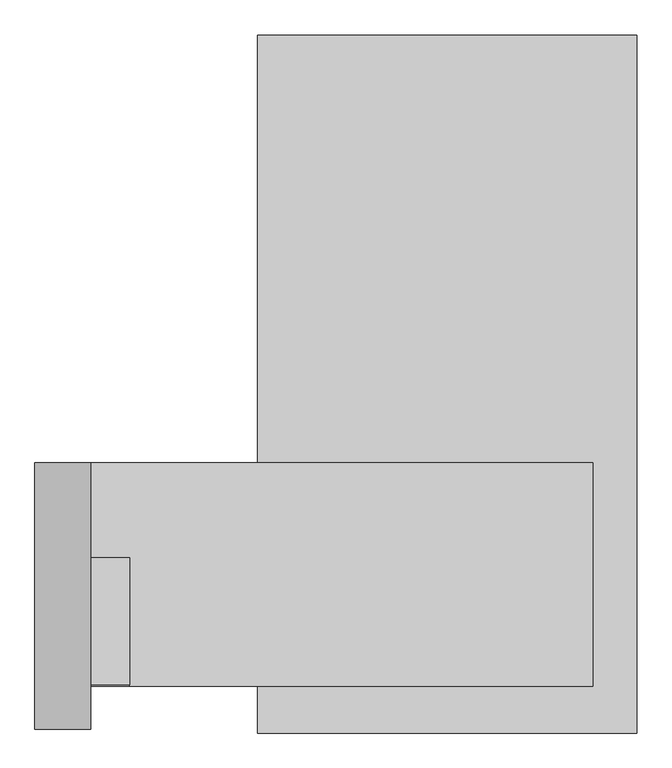
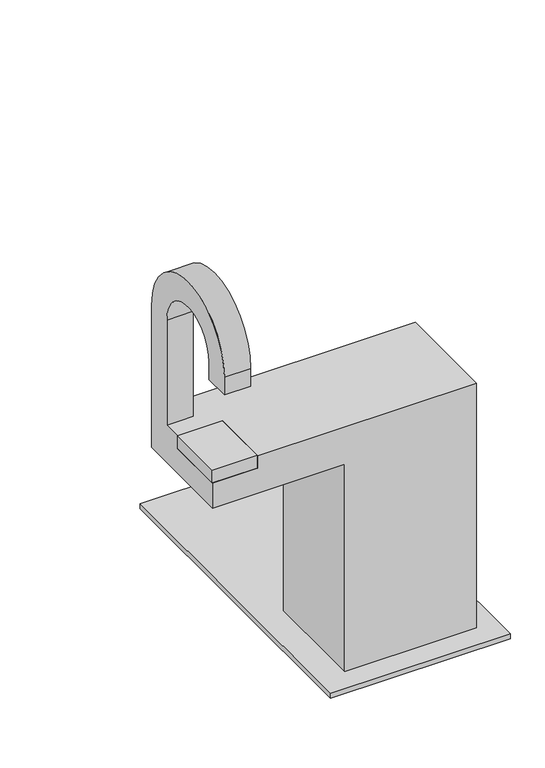
"""IFC4 building model written with IfcOpenShell, lengths in millimetres: proxy geometry."""

import ifcopenshell
import ifcopenshell.guid

model = None  # the IFC model being written
_history = None  # IfcOwnerHistory: only IFC2X3 demands one
_inside = {}  # id of a spatial element -> (the spatial element, [elements in it])
_under = {}  # id of a project, library or spatial element -> (it, [spatial elements below it])
_declared = {}  # id of a project -> (the project, [libraries it declares])
_typed = {}  # id of a type object -> (the type object, [elements of that type])
_made_of = {}  # id of a material, layer set ... -> (it, [elements and type objects made of it])


def new_model(schema):
    """Start an empty IFC model of exactly this schema.

    Asked for "IFC4X3", IfcOpenShell would pick the latest addendum, in which some entities
    have other attributes; the version numbers below select the first issue.
    IFC2X3 requires an IfcOwnerHistory on every rooted entity: one is made here for all.
    """
    global model, _history
    if schema == "IFC4X3":
        model = ifcopenshell.file(schema_version=(4, 3, 0, 0))
    else:
        model = ifcopenshell.file(schema=schema)
    _inside.clear()
    _under.clear()
    _declared.clear()
    _typed.clear()
    _made_of.clear()
    _history = None
    if model.schema == "IFC2X3":
        org = make("IfcOrganization", Name="unknown")
        user = make(
            "IfcPersonAndOrganization",
            ThePerson=make("IfcPerson", FamilyName="unknown"),
            TheOrganization=org,
        )
        app = make(
            "IfcApplication",
            ApplicationDeveloper=org,
            Version="unknown",
            ApplicationFullName="unknown",
            ApplicationIdentifier="unknown",
        )
        _history = make(
            "IfcOwnerHistory",
            OwningUser=user,
            OwningApplication=app,
            ChangeAction="ADDED",
            CreationDate=0,
        )
    return model


def make(cls, **values):
    """One entity of the class cls with the attributes given. An attribute that is None is left unset."""
    return model.create_entity(
        cls, **{name: value for name, value in values.items() if value is not None}
    )


def rooted(cls, **values):
    """An entity with a GlobalId (a new one), such as an element, a storey or a relation."""
    return make(cls, GlobalId=ifcopenshell.guid.new(), OwnerHistory=_history, **values)


def si_unit(unit_type, name, prefix=None):
    """IfcSIUnit, for example si_unit("LENGTHUNIT", "METRE", prefix="MILLI")."""
    return make("IfcSIUnit", UnitType=unit_type, Prefix=prefix, Name=name)


def assignment(units):
    """IfcUnitAssignment: the units of a project."""
    return None if units is None else make("IfcUnitAssignment", Units=units)


def point(xyz):
    """IfcCartesianPoint."""
    return None if xyz is None else make("IfcCartesianPoint", Coordinates=xyz)


def direction(xyz):
    """IfcDirection."""
    return None if xyz is None else make("IfcDirection", DirectionRatios=xyz)


def frame(location, z_axis=None, x_axis=None):
    """IfcAxis2Placement3D, a coordinate frame: its origin and axes. An axis left out is left unset."""
    return make(
        "IfcAxis2Placement3D",
        Location=point(location),
        Axis=direction(z_axis),
        RefDirection=direction(x_axis),
    )


def origin():
    """The frame at (0, 0, 0) with its axes left unset."""
    return frame((0.0, 0.0, 0.0))


def origin_with_axes():
    """The frame at (0, 0, 0) with the z axis (0, 0, 1) and the x axis (1, 0, 0) written out."""
    return frame((0.0, 0.0, 0.0), z_axis=(0.0, 0.0, 1.0), x_axis=(1.0, 0.0, 0.0))


def place(relative_to, where):
    """IfcLocalPlacement: puts the frame where relative to a parent placement (None: the world)."""
    return make(
        "IfcLocalPlacement", PlacementRelTo=relative_to, RelativePlacement=where
    )


def context(
    kind, dimensions, precision=None, world=None, true_north=None, identifier=None
):
    """IfcGeometricRepresentationContext, for example the 3D "Model" context."""
    return make(
        "IfcGeometricRepresentationContext",
        ContextIdentifier=identifier,
        ContextType=kind,
        CoordinateSpaceDimension=dimensions,
        Precision=precision,
        WorldCoordinateSystem=world,
        TrueNorth=true_north,
    )


def project(units=None, contexts=None):
    """IfcProject with its units and contexts."""
    return rooted(
        "IfcProject",
        Name="project",
        RepresentationContexts=contexts,
        UnitsInContext=assignment(units),
    )


def spatial(cls, under=None, at=None, **own):
    """A site, building, storey or space (cls), placed at a placement, below another one or the project."""
    s = rooted(cls, ObjectPlacement=at, **own)
    if under is not None:
        _under.setdefault(under.id(), (under, []))[1].append(s)
    return s


def polyline(points):
    """IfcPolyline through the points."""
    return make("IfcPolyline", Points=[point(p) for p in points])


def circle_curve(where, radius):
    """IfcCircle in the frame where."""
    return make("IfcCircle", Position=where, Radius=radius)


def outline(outer, holes=None, kind="AREA"):
    """IfcArbitraryClosedProfileDef: a profile drawn as a closed curve; with holes, ...WithVoids."""
    if holes is None:
        return make("IfcArbitraryClosedProfileDef", ProfileType=kind, OuterCurve=outer)
    return make(
        "IfcArbitraryProfileDefWithVoids",
        ProfileType=kind,
        OuterCurve=outer,
        InnerCurves=holes,
    )


def extrude(swept, where, along, depth):
    """IfcExtrudedAreaSolid: the profile swept, set in the frame where, extruded along a direction by depth."""
    return make(
        "IfcExtrudedAreaSolid",
        SweptArea=swept,
        Position=where,
        ExtrudedDirection=direction(along),
        Depth=depth,
    )


def shape(context_of_items, identifier, shape_type, items):
    """IfcShapeRepresentation: the items that make up one representation, for example the "Body"."""
    return make(
        "IfcShapeRepresentation",
        ContextOfItems=context_of_items,
        RepresentationIdentifier=identifier,
        RepresentationType=shape_type,
        Items=items,
    )


def source(mapping_origin, context_of_items, identifier, shape_type, items):
    """IfcRepresentationMap: a shape defined once, which mapped items show again and again."""
    return make(
        "IfcRepresentationMap",
        MappingOrigin=mapping_origin,
        MappedRepresentation=shape(context_of_items, identifier, shape_type, items),
    )


def transform(
    local_origin,
    x_axis=None,
    y_axis=None,
    z_axis=None,
    scale=None,
    scale2=None,
    scale3=None,
    uniform=True,
):
    """IfcCartesianTransformationOperator3D, or its non-uniform kind. x_axis, y_axis, z_axis: its Axis1, 2, 3."""
    if uniform:
        return make(
            "IfcCartesianTransformationOperator3D",
            Axis1=direction(x_axis),
            Axis2=direction(y_axis),
            LocalOrigin=point(local_origin),
            Scale=scale,
            Axis3=direction(z_axis),
        )
    return make(
        "IfcCartesianTransformationOperator3DnonUniform",
        Axis1=direction(x_axis),
        Axis2=direction(y_axis),
        LocalOrigin=point(local_origin),
        Scale=scale,
        Axis3=direction(z_axis),
        Scale2=scale2,
        Scale3=scale3,
    )


def mapped(mapping_source, mapping_target):
    """IfcMappedItem: shows the shape of a source again, moved by a transform."""
    return make(
        "IfcMappedItem", MappingSource=mapping_source, MappingTarget=mapping_target
    )


def made_of(thing, what):
    """Note that an element or type object is made of a material, layer set ...; save() writes the relation."""
    if what is not None:
        _made_of.setdefault(what.id(), (what, []))[1].append(thing)
    return thing


def element(
    cls,
    number,
    at=None,
    inside=None,
    cuts=None,
    type_object=None,
    material=None,
    context=None,
    identifier="Body",
    shape_type=None,
    held_by="IfcProductDefinitionShape",
    body=None,
    shapes=None,
    **own,
):
    """One element of the class cls, such as IfcWall. Its Tag is "e" and its number.

    at: its placement. inside: the storey or other place that contains it. cuts: it is an
    opening in that element (IfcRelVoidsElement). A single representation is given by context,
    identifier, shape_type and body (its items); several are given by shapes. held_by: the class
    of the entity that holds the representations. save() writes the other relations.
    """
    e = rooted(cls, Tag="e%d" % number, ObjectPlacement=at, **own)
    if body is not None:
        shapes = [shape(context, identifier, shape_type, body)]
    if shapes is not None:
        e.Representation = make(held_by, Representations=shapes)
    if inside is not None:
        _inside.setdefault(inside.id(), (inside, []))[1].append(e)
    if cuts is not None:
        rooted(
            "IfcRelVoidsElement", RelatingBuildingElement=cuts, RelatedOpeningElement=e
        )
    if type_object is not None:
        _typed.setdefault(type_object.id(), (type_object, []))[1].append(e)
    return made_of(e, material)


def aggregate(whole, parts):
    """IfcRelAggregates: a whole, such as a stair, and the parts it consists of."""
    return rooted("IfcRelAggregates", RelatingObject=whole, RelatedObjects=parts)


def save(model, path):
    """Write the relations noted so far, then the file.

    IfcRelAggregates (storeys below a building ...), IfcRelContainedInSpatialStructure (elements
    in a storey), IfcRelDefinesByType, IfcRelAssociatesMaterial and IfcRelDeclares: one each for
    every whole, place, type object, material and project.
    """
    for whole, parts in _under.values():
        aggregate(whole, parts)
    for where, things in _inside.values():
        rooted(
            "IfcRelContainedInSpatialStructure",
            RelatedElements=things,
            RelatingStructure=where,
        )
    for kind, things in _typed.values():
        rooted("IfcRelDefinesByType", RelatedObjects=things, RelatingType=kind)
    for what, things in _made_of.values():
        rooted("IfcRelAssociatesMaterial", RelatedObjects=things, RelatingMaterial=what)
    for by, libraries in _declared.values():
        rooted("IfcRelDeclares", RelatingContext=by, RelatedDefinitions=libraries)
    model.write(path)


def plane_surface(at):
    """IfcPlane: the flat surface through the origin of the frame at, square to its z axis."""
    return make("IfcPlane", Position=at)


def cylinder_surface(at, radius):
    """IfcCylindricalSurface: all points at the distance radius from the z axis of the frame at."""
    return make("IfcCylindricalSurface", Position=at, Radius=radius)


def revolved_surface(curve, axis_point, axis_direction):
    """IfcSurfaceOfRevolution: the curve turned about the line through axis_point along axis_direction."""
    return make(
        "IfcSurfaceOfRevolution",
        SweptCurve=make("IfcArbitraryOpenProfileDef", ProfileType="CURVE", Curve=curve),
        AxisPosition=make("IfcAxis1Placement", Location=point(axis_point), Axis=direction(axis_direction)),
    )


def advanced_brep(points, edges, surfaces, faces):
    """IfcAdvancedBrep: a solid bounded by faces that lie on surfaces and meet in shared edges.

    An edge is (start, end): straight between two places in points (the first is 0);
    or (start, end, curve); or (start, end, curve, False) where it runs against its curve.
    A face is (place in surfaces, loops), or (place, loops, False) where it looks against
    its surface's normal. A loop lists edges by number (the first is 1), with a minus sign
    where the edge is run from its end to its start. The first loop is the outer one.
    """
    corners = [point(p) for p in points]
    vertices = [make("IfcVertexPoint", VertexGeometry=c) for c in corners]
    made = []
    for start, end, *more in edges:
        made.append(
            make(
                "IfcEdgeCurve",
                EdgeStart=vertices[start],
                EdgeEnd=vertices[end],
                EdgeGeometry=more[0] if more else make("IfcPolyline", Points=[corners[start], corners[end]]),
                SameSense=more[1] if len(more) > 1 else True,
            )
        )
    hull = []
    for where, loops, *sense in faces:
        bounds = []
        for j, loop in enumerate(loops):
            ring = [make("IfcOrientedEdge", EdgeElement=made[abs(k) - 1], Orientation=k > 0) for k in loop]
            bounds.append(
                make(
                    "IfcFaceOuterBound" if j == 0 else "IfcFaceBound",
                    Bound=make("IfcEdgeLoop", EdgeList=ring),
                    Orientation=True,
                )
            )
        hull.append(make("IfcAdvancedFace", Bounds=bounds, FaceSurface=surfaces[where], SameSense=sense[0] if sense else True))
    return make("IfcAdvancedBrep", Outer=make("IfcClosedShell", CfsFaces=hull))


def generic_models_477dcc4d(model_context):
    return source(origin(), model_context, "Body", "SolidModel", [
        extrude(outline(polyline([(340.0, -6.3351667), (-340.0, -6.3351667), (-340.0, 1243.6648333), (340.0, 1243.6648333), (340.0, -6.3351667)])), origin_with_axes(), (0.0, 0.0, 1.0), 20.0),
        extrude(outline(polyline([(-568.7784149, 307.3296666), (-568.7784149, 80.2455471), (-738.7784149, 80.2455471), (-738.7784149, 307.3296666), (-568.7784149, 307.3296666)])), frame((0.0, 0.0, 948.786045), z_axis=(0.0, 0.0, 1.0), x_axis=(1.0, 0.0, 0.0)), (0.0, 0.0, 1.0), 51.213955),
        advanced_brep(
        [(261.2215851, 77.3296666, 20.0), (-238.7784149, 77.3296666, 20.0), (-238.7784149, 477.3296666, 20.0), (261.2215851, 477.3296666, 20.0), (-238.7784149, 77.3296666, 850.0), (-238.7784149, 477.3296666, 850.0), (-738.7784149, 377.3296666, 1000.0), (-738.7784149, 377.3296666, 1420.0), (-738.7784149, 100.0, 1420.0), (-738.7784149, 100.0, 1350.0), (-738.7784149, 0.0, 1350.0), (-738.7784149, 0.0, 1420.0), (-738.7784149, 477.3296666, 1420.0), (-738.7784149, 477.3296666, 850.0), (-738.7784149, 77.3296666, 850.0), (-738.7784149, 77.3296666, 948.786045), (-738.7784149, 307.3296666, 948.786045), (-738.7784149, 307.3296666, 1000.0), (-638.7784149, 477.3296666, 1420.0), (-638.7784149, 0.0, 1420.0), (-638.7784149, 0.0, 1350.0), (-638.7784149, 100.0, 1350.0), (-638.7784149, 100.0, 1420.0), (-638.7784149, 377.3296666, 1420.0), (-638.7784149, 377.3296666, 1000.0), (-638.7784149, 477.3296666, 1000.0), (261.2215851, 477.3296666, 1000.0), (261.2215851, 77.3296666, 1000.0), (-568.7784149, 307.3296666, 1000.0), (-568.7784149, 77.3296666, 1000.0), (-568.7784149, 77.3296666, 948.786045), (-568.7784149, 307.3296666, 948.786045)],
        [
            (0, 1),
            (1, 2),
            (2, 3),
            (3, 0),
            (1, 4),
            (4, 5),
            (5, 2),
            (6, 7),
            (7, 8, circle_curve(frame((-738.7784149, 238.6648333, 1420.0), z_axis=(1.0, 0.0, 0.0), x_axis=(0.0, 1.0, 0.0)), 138.6648333)),
            (8, 9),
            (9, 10),
            (10, 11),
            (11, 12, circle_curve(frame((-738.7784149, 238.6648333, 1420.0), z_axis=(-1.0, 0.0, 0.0), x_axis=(0.0, 1.0, 0.0)), 238.6648333)),
            (12, 13),
            (13, 14),
            (14, 15),
            (15, 16),
            (16, 17),
            (17, 6),
            (18, 19, circle_curve(frame((-638.7784149, 238.6648333, 1420.0), z_axis=(1.0, 0.0, 0.0), x_axis=(0.0, 1.0, 0.0)), 238.6648333)),
            (19, 20),
            (20, 21),
            (21, 22),
            (22, 23, circle_curve(frame((-638.7784149, 238.6648333, 1420.0), z_axis=(-1.0, 0.0, 0.0), x_axis=(0.0, 1.0, 0.0)), 138.6648333)),
            (23, 24),
            (24, 25),
            (25, 18),
            (25, 26),
            (26, 3),
            (5, 13),
            (12, 18),
            (6, 24),
            (23, 7),
            (22, 8),
            (21, 9),
            (20, 10),
            (19, 11),
            (27, 26),
            (17, 28),
            (28, 29),
            (29, 27),
            (4, 14),
            (0, 27),
            (29, 30),
            (30, 15),
            (30, 31),
            (31, 16),
            (31, 28),
        ],
        [
            plane_surface(frame((261.2215851, 77.3296666, 20.0), z_axis=(0.0, 0.0, -1.0), x_axis=(0.0, -1.0, 0.0))),
            plane_surface(frame((-238.7784149, 477.3296666, 1000.0), z_axis=(-1.0, 0.0, 0.0), x_axis=(0.0, 0.0, -1.0))),
            plane_surface(frame((-738.7784149, 477.3296666, 1000.0), z_axis=(-1.0, 0.0, 0.0), x_axis=(0.0, 0.0, -1.0))),
            plane_surface(frame((-638.7784149, 477.3296666, 1000.0), z_axis=(1.0, 0.0, 0.0), x_axis=(0.0, 0.0, 1.0))),
            plane_surface(frame((-738.7784149, 477.3296666, 1420.0), z_axis=(0.0, 1.0, 0.0), x_axis=(1.0, 0.0, 0.0))),
            plane_surface(frame((-738.7784149, 377.3296666, 1000.0), z_axis=(0.0, -1.0, 0.0), x_axis=(1.0, 0.0, 0.0))),
            revolved_surface(polyline([(-638.7784149, 377.3296666, 1420.0), (-738.7784149, 377.3296666, 1420.0)]), (-638.7784149, 238.6648333, 1420.0), (1.0, 0.0, 0.0)),
            plane_surface(frame((-738.7784149, 100.0, 1420.0), z_axis=(0.0, 1.0, 0.0), x_axis=(1.0, 0.0, 0.0))),
            plane_surface(frame((-738.7784149, 100.0, 1350.0), z_axis=(0.0, 0.0, -1.0), x_axis=(1.0, 0.0, 0.0))),
            plane_surface(frame((-738.7784149, 0.0, 1350.0), z_axis=(0.0, -1.0, 0.0), x_axis=(1.0, 0.0, 0.0))),
            cylinder_surface(frame((-638.7784149, 238.6648333, 1420.0), z_axis=(-1.0, 0.0, 0.0), x_axis=(0.0, 1.0, 0.0)), 238.6648333),
            plane_surface(frame((-738.7784149, 477.3296666, 1000.0), z_axis=(0.0, 0.0, 1.0), x_axis=(-1.0, 0.0, 0.0))),
            plane_surface(frame((-738.7784149, 477.3296666, 850.0), z_axis=(0.0, 0.0, -1.0), x_axis=(1.0, 0.0, 0.0))),
            plane_surface(frame((-738.7784149, 77.3296666, 1000.0), z_axis=(0.0, -1.0, 0.0), x_axis=(0.0, 0.0, -1.0))),
            plane_surface(frame((261.2215851, 77.3296666, 1000.0), z_axis=(1.0, 0.0, 0.0), x_axis=(0.0, 0.0, -1.0))),
            plane_surface(frame((-738.7784149, 77.3296666, 948.786045), z_axis=(0.0, 0.0, 1.0), x_axis=(-1.0, 0.0, 0.0))),
            plane_surface(frame((-738.7784149, 307.3296666, 948.786045), z_axis=(0.0, -1.0, 0.0), x_axis=(0.0, 0.0, 1.0))),
            plane_surface(frame((-568.7784149, 307.3296666, 948.786045), z_axis=(-1.0, 0.0, 0.0), x_axis=(0.0, 0.0, 1.0))),
        ],
        [
            (0, [[1, 2, 3, 4]]),
            (1, [[-2, 5, 6, 7]]),
            (2, [[8, 9, 10, 11, 12, 13, 14, 15, 16, 17, 18, 19]]),
            (3, [[20, 21, 22, 23, 24, 25, 26, 27]]),
            (4, [[-27, 28, 29, -3, -7, 30, -14, 31]]),
            (5, [[-8, 32, -25, 33]]),
            (6, [[-9, -33, -24, 34]]),
            (7, [[-10, -34, -23, 35]]),
            (8, [[-11, -35, -22, 36]]),
            (9, [[-12, -36, -21, 37]]),
            (10, [[-13, -37, -20, -31]]),
            (11, [[38, -28, -26, -32, -19, 39, 40, 41]]),
            (12, [[-15, -30, -6, 42]]),
            (13, [[-1, 43, -41, 44, 45, -16, -42, -5]]),
            (14, [[-38, -43, -4, -29]]),
            (15, [[46, 47, -17, -45]]),
            (16, [[-47, 48, -39, -18]]),
            (17, [[-46, -44, -40, -48]]),
        ],
    ),
    ])


if __name__ == "__main__":
    model = new_model("IFC4")
    model_context = context("Model", 3, world=origin())
    ifc_project = project(units=[si_unit("LENGTHUNIT", "METRE", prefix="MILLI")], contexts=[model_context])
    site = spatial("IfcSite", under=ifc_project)
    building = spatial("IfcBuilding", under=site)
    placement = place(None, origin())
    generic_models_shape = generic_models_477dcc4d(model_context)
    element("IfcBuildingElementProxy", 1, Name="Generic Models", at=placement, inside=building, context=model_context, shape_type="MappedRepresentation", body=[
        mapped(generic_models_shape, transform((0.0, 0.0, 0.0), x_axis=(1.0, 0.0, 0.0), y_axis=(0.0, 1.0, 0.0), z_axis=(0.0, 0.0, 1.0))),
    ])
    save(model, "model.ifc")
